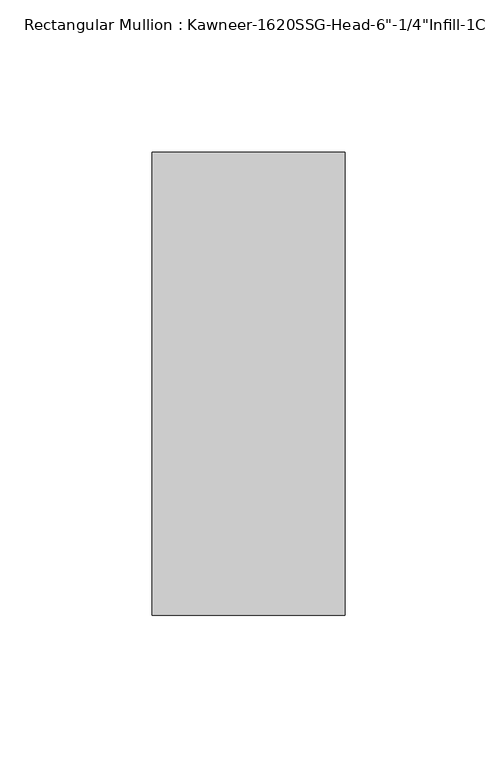
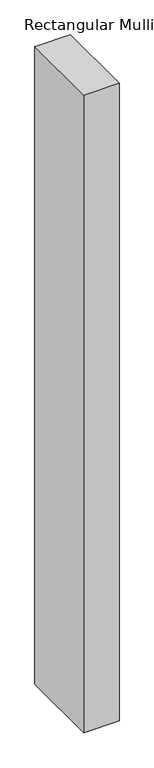
"""IFC4 building model written with IfcOpenShell, lengths in millimetres: member geometry."""

from ifc_helpers import new_model, si_unit, frame, origin, place, context, project, spatial, polyline, outline, extrude, source, transform, mapped, element, save


def member_6f542251(model_context):
    return source(origin(), model_context, "Body", "SweptSolid", [
        extrude(outline(polyline([(-63.5, 28.575), (0.0, 28.575), (0.0, -123.825), (-63.5, -123.825), (-63.5, 28.575)])), frame((0.0, 0.0, -1213.7182369), z_axis=(0.0, 0.0, 1.0), x_axis=(1.0, 0.0, 0.0)), (0.0, 0.0, 1.0), 1213.7182369),
    ])


if __name__ == "__main__":
    model = new_model("IFC4")
    model_context = context("Model", 3, world=origin())
    ifc_project = project(units=[si_unit("LENGTHUNIT", "METRE", prefix="MILLI")], contexts=[model_context])
    site = spatial("IfcSite", under=ifc_project)
    building = spatial("IfcBuilding", under=site)
    placement = place(None, origin())
    member_shape = member_6f542251(model_context)
    element("IfcMember", 1, ObjectType="Rectangular Mullion : Kawneer-1620SSG-Head-6\"-1/4\"Infill-1C", at=placement, inside=building, context=model_context, shape_type="MappedRepresentation", body=[
        mapped(member_shape, transform((0.0, 0.0, 0.0), x_axis=(1.0, 0.0, 0.0), y_axis=(0.0, 1.0, 0.0), z_axis=(0.0, 0.0, 1.0))),
    ])
    save(model, "model.ifc")
